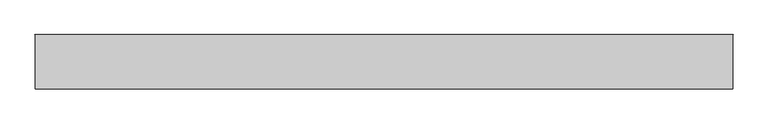
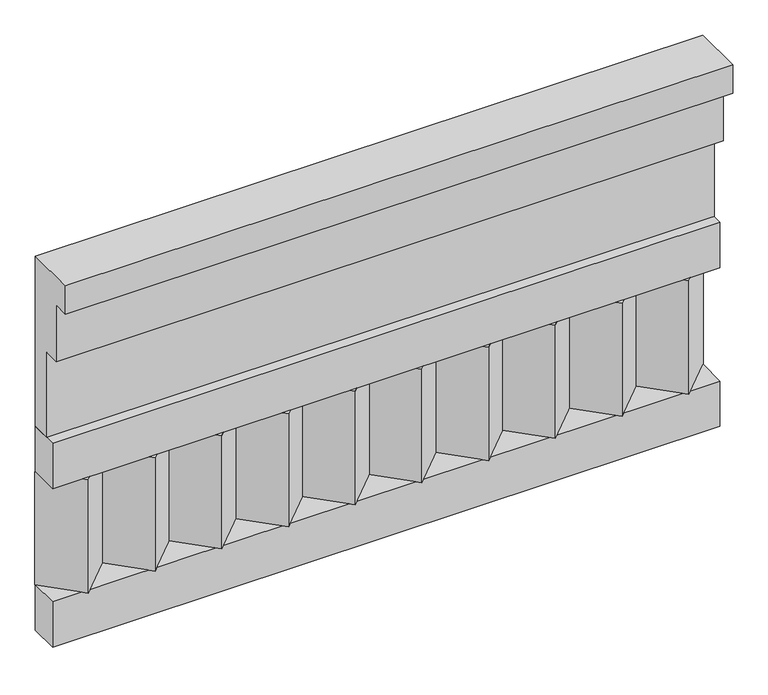
"""IFC4 building model written with IfcOpenShell, lengths in millimetres: railing geometry."""

from ifc_helpers import new_model, si_unit, frame, origin, place, context, project, spatial, polyline, outline, extrude, source, transform, mapped, element, save


def railing_4f31a8dc(model_context):
    return source(origin(), model_context, "Body", "SweptSolid", [
        extrude(outline(polyline([(-16816.8920513, 15200.0), (-16816.8920513, 14750.0), (-16866.8920513, 14750.0), (-16866.8920513, 14975.0), (-16906.8920513, 14975.0), (-16906.8920513, 15125.0), (-16946.8920513, 15125.0), (-16946.8920513, 15200.0), (-16816.8920513, 15200.0)])), frame((26190.0112841, 0.0, 0.0), z_axis=(1.0, 0.0, 0.0), x_axis=(0.0, 1.0, 0.0)), (0.0, 0.0, 1.0), 1670.0),
        extrude(outline(polyline([(26190.0112841, -16891.8920513), (26190.0112841, -16816.8920513), (27860.0112841, -16816.8920513), (27860.0112841, -16891.8920513), (26190.0112841, -16891.8920513)])), frame((0.0, 0.0, 14630.0), z_axis=(0.0, 0.0, 1.0), x_axis=(1.0, 0.0, 0.0)), (0.0, 0.0, 1.0), 120.0),
        extrude(outline(polyline([(26190.0112841, -16891.8920513), (26190.0112841, -16816.8920513), (27860.0112841, -16816.8920513), (27860.0112841, -16891.8920513), (26190.0112841, -16891.8920513)])), frame((0.0, 0.0, 14210.0), z_axis=(0.0, 0.0, 1.0), x_axis=(1.0, 0.0, 0.0)), (0.0, 0.0, 1.0), 120.0),
        extrude(outline(polyline([(27776.5112841, -16901.7448651), (27691.6584704, -16816.8920513), (27861.3640978, -16816.8920513), (27776.5112841, -16901.7448651)])), frame((0.0, 0.0, 14330.0), z_axis=(0.0, 0.0, 1.0), x_axis=(1.0, 0.0, 0.0)), (0.0, 0.0, 1.0), 300.0),
        extrude(outline(polyline([(27609.5112841, -16901.7448651), (27524.6584704, -16816.8920513), (27694.3640978, -16816.8920513), (27609.5112841, -16901.7448651)])), frame((0.0, 0.0, 14330.0), z_axis=(0.0, 0.0, 1.0), x_axis=(1.0, 0.0, 0.0)), (0.0, 0.0, 1.0), 300.0),
        extrude(outline(polyline([(27442.5112841, -16901.7448651), (27357.6584704, -16816.8920513), (27527.3640978, -16816.8920513), (27442.5112841, -16901.7448651)])), frame((0.0, 0.0, 14330.0), z_axis=(0.0, 0.0, 1.0), x_axis=(1.0, 0.0, 0.0)), (0.0, 0.0, 1.0), 300.0),
        extrude(outline(polyline([(27275.5112841, -16901.7448651), (27190.6584704, -16816.8920513), (27360.3640978, -16816.8920513), (27275.5112841, -16901.7448651)])), frame((0.0, 0.0, 14330.0), z_axis=(0.0, 0.0, 1.0), x_axis=(1.0, 0.0, 0.0)), (0.0, 0.0, 1.0), 300.0),
        extrude(outline(polyline([(27108.5112841, -16901.7448651), (27023.6584704, -16816.8920513), (27193.3640978, -16816.8920513), (27108.5112841, -16901.7448651)])), frame((0.0, 0.0, 14330.0), z_axis=(0.0, 0.0, 1.0), x_axis=(1.0, 0.0, 0.0)), (0.0, 0.0, 1.0), 300.0),
        extrude(outline(polyline([(26941.5112841, -16901.7448651), (26856.6584704, -16816.8920513), (27026.3640978, -16816.8920513), (26941.5112841, -16901.7448651)])), frame((0.0, 0.0, 14330.0), z_axis=(0.0, 0.0, 1.0), x_axis=(1.0, 0.0, 0.0)), (0.0, 0.0, 1.0), 300.0),
        extrude(outline(polyline([(26774.5112841, -16901.7448651), (26689.6584704, -16816.8920513), (26859.3640978, -16816.8920513), (26774.5112841, -16901.7448651)])), frame((0.0, 0.0, 14330.0), z_axis=(0.0, 0.0, 1.0), x_axis=(1.0, 0.0, 0.0)), (0.0, 0.0, 1.0), 300.0),
        extrude(outline(polyline([(26607.5112841, -16901.7448651), (26522.6584704, -16816.8920513), (26692.3640978, -16816.8920513), (26607.5112841, -16901.7448651)])), frame((0.0, 0.0, 14330.0), z_axis=(0.0, 0.0, 1.0), x_axis=(1.0, 0.0, 0.0)), (0.0, 0.0, 1.0), 300.0),
        extrude(outline(polyline([(26440.5112841, -16901.7448651), (26355.6584704, -16816.8920513), (26525.3640978, -16816.8920513), (26440.5112841, -16901.7448651)])), frame((0.0, 0.0, 14330.0), z_axis=(0.0, 0.0, 1.0), x_axis=(1.0, 0.0, 0.0)), (0.0, 0.0, 1.0), 300.0),
        extrude(outline(polyline([(26273.5112841, -16901.7448651), (26188.6584704, -16816.8920513), (26358.3640978, -16816.8920513), (26273.5112841, -16901.7448651)])), frame((0.0, 0.0, 14330.0), z_axis=(0.0, 0.0, 1.0), x_axis=(1.0, 0.0, 0.0)), (0.0, 0.0, 1.0), 300.0),
    ])


if __name__ == "__main__":
    model = new_model("IFC4")
    model_context = context("Model", 3, world=origin())
    ifc_project = project(units=[si_unit("LENGTHUNIT", "METRE", prefix="MILLI")], contexts=[model_context])
    site = spatial("IfcSite", under=ifc_project)
    building = spatial("IfcBuilding", under=site)
    placement = place(None, origin())
    railing_shape = railing_4f31a8dc(model_context)
    element("IfcRailing", 1, at=placement, inside=building, context=model_context, shape_type="MappedRepresentation", body=[
        mapped(railing_shape, transform((0.0, 0.0, 0.0), x_axis=(1.0, 0.0, 0.0), y_axis=(0.0, 1.0, 0.0), z_axis=(0.0, 0.0, 1.0))),
    ])
    save(model, "model.ifc")
